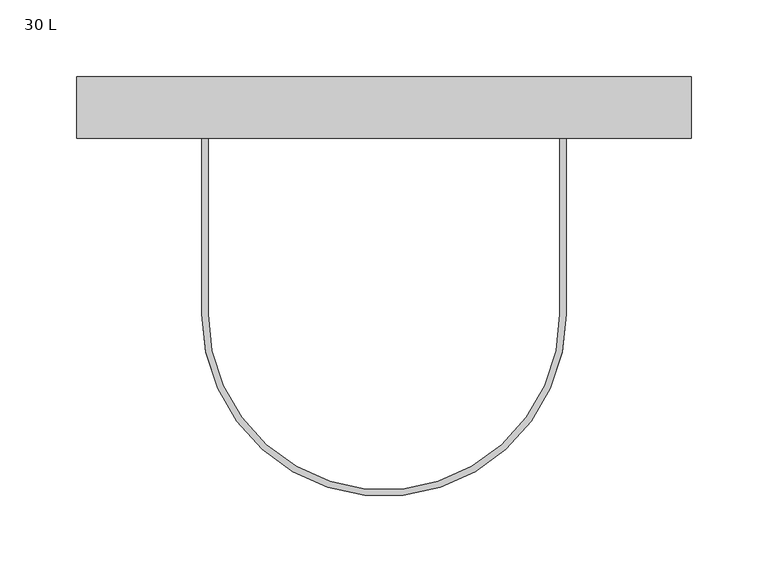
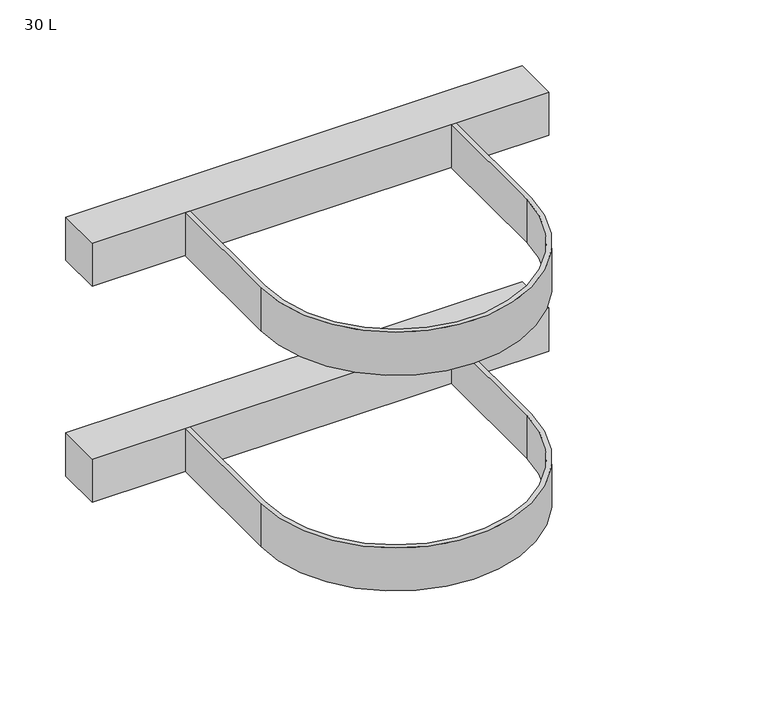
"""IFC4 building model written with IfcOpenShell, lengths in millimetres: proxy geometry, 30 L."""

from ifc_helpers import new_model, si_unit, point, frame, origin, origin_2d, place, context, project, spatial, polyline, circle_curve, trimmed, segment, composite_curve, outline, extrude, source, transform, mapped, element, save


def proxy_30_l_a11b9721(model_context):
    return source(origin(), model_context, "Body", "SweptSolid", [
        extrude(outline(polyline([(200.0, 114.5), (-200.0, 114.5), (-200.0, 154.5), (200.0, 154.5), (200.0, 114.5)])), frame((0.0, 0.0, -20.0), z_axis=(0.0, 0.0, 1.0), x_axis=(1.0, 0.0, 0.0)), (0.0, 0.0, 1.0), 40.0),
        extrude(outline(composite_curve([segment(polyline([(-114.5, 114.5), (-114.5, 0.0)]), True, "CONTINUOUS"), segment(trimmed(circle_curve(origin_2d(), 114.5), [point((-114.5, 0.0))], [point((114.5, 0.0))], True, "CARTESIAN"), True, "CONTINUOUS"), segment(polyline([(114.5, 0.0), (114.5, 114.5), (118.5, 114.5), (118.5, 0.0)]), True, "CONTINUOUS"), segment(trimmed(circle_curve(origin_2d(), 118.5), [point((118.5, 0.0))], [point((-118.5, 0.0))], False, "CARTESIAN"), True, "CONTINUOUS"), segment(polyline([(-118.5, 0.0), (-118.5, 114.5), (-114.5, 114.5)]), True, "CONTINUOUS")], self_intersect=False)), frame((0.0, 0.0, -20.0), z_axis=(0.0, 0.0, 1.0), x_axis=(1.0, 0.0, 0.0)), (0.0, 0.0, 1.0), 40.0),
        extrude(outline(polyline([(200.0, 114.5), (-200.0, 114.5), (-200.0, 154.5), (200.0, 154.5), (200.0, 114.5)])), frame((0.0, 0.0, 180.0), z_axis=(0.0, 0.0, 1.0), x_axis=(1.0, 0.0, 0.0)), (0.0, 0.0, 1.0), 40.0),
        extrude(outline(composite_curve([segment(polyline([(-114.5, 114.5), (-114.5, 0.0)]), True, "CONTINUOUS"), segment(trimmed(circle_curve(origin_2d(), 114.5), [point((-114.5, 0.0))], [point((114.5, 0.0))], True, "CARTESIAN"), True, "CONTINUOUS"), segment(polyline([(114.5, 0.0), (114.5, 114.5), (118.5, 114.5), (118.5, 0.0)]), True, "CONTINUOUS"), segment(trimmed(circle_curve(origin_2d(), 118.5), [point((118.5, 0.0))], [point((-118.5, 0.0))], False, "CARTESIAN"), True, "CONTINUOUS"), segment(polyline([(-118.5, 0.0), (-118.5, 114.5), (-114.5, 114.5)]), True, "CONTINUOUS")], self_intersect=False)), frame((0.0, 0.0, 180.0), z_axis=(0.0, 0.0, 1.0), x_axis=(1.0, 0.0, 0.0)), (0.0, 0.0, 1.0), 40.0),
    ])


if __name__ == "__main__":
    model = new_model("IFC4")
    model_context = context("Model", 3, world=origin())
    ifc_project = project(units=[si_unit("LENGTHUNIT", "METRE", prefix="MILLI")], contexts=[model_context])
    site = spatial("IfcSite", under=ifc_project)
    building = spatial("IfcBuilding", under=site)
    placement = place(None, origin())
    proxy_30_l_shape = proxy_30_l_a11b9721(model_context)
    element("IfcBuildingElementProxy", 1, Name="30 L", ObjectType="30 L", at=placement, inside=building, context=model_context, shape_type="MappedRepresentation", body=[
        mapped(proxy_30_l_shape, transform((0.0, 0.0, 0.0), x_axis=(1.0, 0.0, 0.0), y_axis=(0.0, 1.0, 0.0), z_axis=(0.0, 0.0, 1.0))),
    ])
    save(model, "model.ifc")
